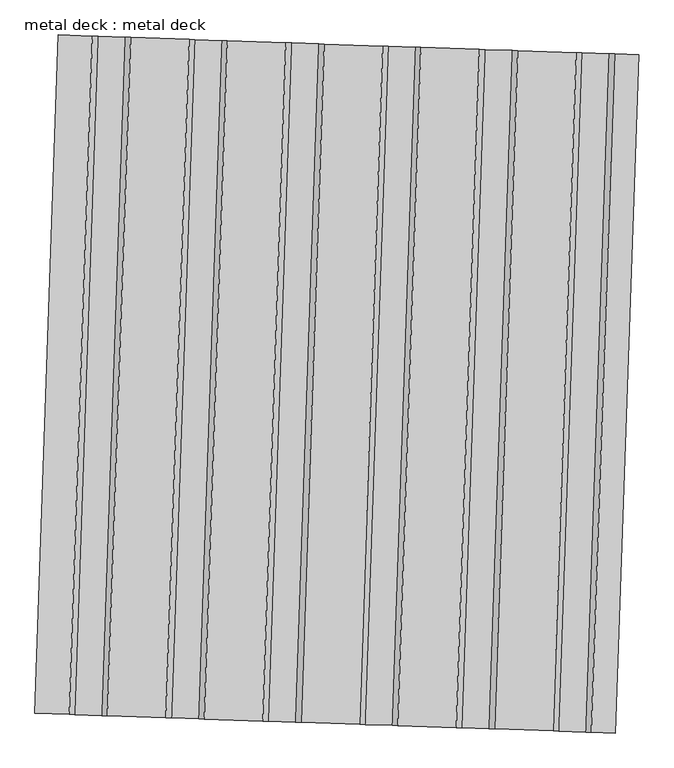
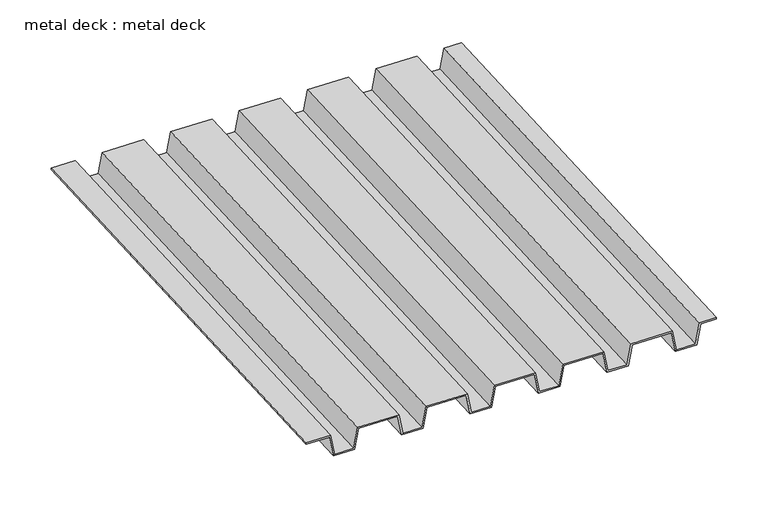
"""IFC4 building model written with IfcOpenShell, lengths in millimetres: proxy geometry, metal deck : metal deck."""

import ifcopenshell
import ifcopenshell.guid

model = None  # the IFC model being written
_history = None  # IfcOwnerHistory: only IFC2X3 demands one
_inside = {}  # id of a spatial element -> (the spatial element, [elements in it])
_under = {}  # id of a project, library or spatial element -> (it, [spatial elements below it])
_declared = {}  # id of a project -> (the project, [libraries it declares])
_typed = {}  # id of a type object -> (the type object, [elements of that type])
_made_of = {}  # id of a material, layer set ... -> (it, [elements and type objects made of it])


def new_model(schema):
    """Start an empty IFC model of exactly this schema.

    Asked for "IFC4X3", IfcOpenShell would pick the latest addendum, in which some entities
    have other attributes; the version numbers below select the first issue.
    IFC2X3 requires an IfcOwnerHistory on every rooted entity: one is made here for all.
    """
    global model, _history
    if schema == "IFC4X3":
        model = ifcopenshell.file(schema_version=(4, 3, 0, 0))
    else:
        model = ifcopenshell.file(schema=schema)
    _inside.clear()
    _under.clear()
    _declared.clear()
    _typed.clear()
    _made_of.clear()
    _history = None
    if model.schema == "IFC2X3":
        org = make("IfcOrganization", Name="unknown")
        user = make(
            "IfcPersonAndOrganization",
            ThePerson=make("IfcPerson", FamilyName="unknown"),
            TheOrganization=org,
        )
        app = make(
            "IfcApplication",
            ApplicationDeveloper=org,
            Version="unknown",
            ApplicationFullName="unknown",
            ApplicationIdentifier="unknown",
        )
        _history = make(
            "IfcOwnerHistory",
            OwningUser=user,
            OwningApplication=app,
            ChangeAction="ADDED",
            CreationDate=0,
        )
    return model


def make(cls, **values):
    """One entity of the class cls with the attributes given. An attribute that is None is left unset."""
    return model.create_entity(
        cls, **{name: value for name, value in values.items() if value is not None}
    )


def rooted(cls, **values):
    """An entity with a GlobalId (a new one), such as an element, a storey or a relation."""
    return make(cls, GlobalId=ifcopenshell.guid.new(), OwnerHistory=_history, **values)


def si_unit(unit_type, name, prefix=None):
    """IfcSIUnit, for example si_unit("LENGTHUNIT", "METRE", prefix="MILLI")."""
    return make("IfcSIUnit", UnitType=unit_type, Prefix=prefix, Name=name)


def assignment(units):
    """IfcUnitAssignment: the units of a project."""
    return None if units is None else make("IfcUnitAssignment", Units=units)


def point(xyz):
    """IfcCartesianPoint."""
    return None if xyz is None else make("IfcCartesianPoint", Coordinates=xyz)


def direction(xyz):
    """IfcDirection."""
    return None if xyz is None else make("IfcDirection", DirectionRatios=xyz)


def frame(location, z_axis=None, x_axis=None):
    """IfcAxis2Placement3D, a coordinate frame: its origin and axes. An axis left out is left unset."""
    return make(
        "IfcAxis2Placement3D",
        Location=point(location),
        Axis=direction(z_axis),
        RefDirection=direction(x_axis),
    )


def origin():
    """The frame at (0, 0, 0) with its axes left unset."""
    return frame((0.0, 0.0, 0.0))


def place(relative_to, where):
    """IfcLocalPlacement: puts the frame where relative to a parent placement (None: the world)."""
    return make(
        "IfcLocalPlacement", PlacementRelTo=relative_to, RelativePlacement=where
    )


def context(
    kind, dimensions, precision=None, world=None, true_north=None, identifier=None
):
    """IfcGeometricRepresentationContext, for example the 3D "Model" context."""
    return make(
        "IfcGeometricRepresentationContext",
        ContextIdentifier=identifier,
        ContextType=kind,
        CoordinateSpaceDimension=dimensions,
        Precision=precision,
        WorldCoordinateSystem=world,
        TrueNorth=true_north,
    )


def project(units=None, contexts=None):
    """IfcProject with its units and contexts."""
    return rooted(
        "IfcProject",
        Name="project",
        RepresentationContexts=contexts,
        UnitsInContext=assignment(units),
    )


def spatial(cls, under=None, at=None, **own):
    """A site, building, storey or space (cls), placed at a placement, below another one or the project."""
    s = rooted(cls, ObjectPlacement=at, **own)
    if under is not None:
        _under.setdefault(under.id(), (under, []))[1].append(s)
    return s


def polyline(points):
    """IfcPolyline through the points."""
    return make("IfcPolyline", Points=[point(p) for p in points])


def outline(outer, holes=None, kind="AREA"):
    """IfcArbitraryClosedProfileDef: a profile drawn as a closed curve; with holes, ...WithVoids."""
    if holes is None:
        return make("IfcArbitraryClosedProfileDef", ProfileType=kind, OuterCurve=outer)
    return make(
        "IfcArbitraryProfileDefWithVoids",
        ProfileType=kind,
        OuterCurve=outer,
        InnerCurves=holes,
    )


def extrude(swept, where, along, depth):
    """IfcExtrudedAreaSolid: the profile swept, set in the frame where, extruded along a direction by depth."""
    return make(
        "IfcExtrudedAreaSolid",
        SweptArea=swept,
        Position=where,
        ExtrudedDirection=direction(along),
        Depth=depth,
    )


def shape(context_of_items, identifier, shape_type, items):
    """IfcShapeRepresentation: the items that make up one representation, for example the "Body"."""
    return make(
        "IfcShapeRepresentation",
        ContextOfItems=context_of_items,
        RepresentationIdentifier=identifier,
        RepresentationType=shape_type,
        Items=items,
    )


def source(mapping_origin, context_of_items, identifier, shape_type, items):
    """IfcRepresentationMap: a shape defined once, which mapped items show again and again."""
    return make(
        "IfcRepresentationMap",
        MappingOrigin=mapping_origin,
        MappedRepresentation=shape(context_of_items, identifier, shape_type, items),
    )


def transform(
    local_origin,
    x_axis=None,
    y_axis=None,
    z_axis=None,
    scale=None,
    scale2=None,
    scale3=None,
    uniform=True,
):
    """IfcCartesianTransformationOperator3D, or its non-uniform kind. x_axis, y_axis, z_axis: its Axis1, 2, 3."""
    if uniform:
        return make(
            "IfcCartesianTransformationOperator3D",
            Axis1=direction(x_axis),
            Axis2=direction(y_axis),
            LocalOrigin=point(local_origin),
            Scale=scale,
            Axis3=direction(z_axis),
        )
    return make(
        "IfcCartesianTransformationOperator3DnonUniform",
        Axis1=direction(x_axis),
        Axis2=direction(y_axis),
        LocalOrigin=point(local_origin),
        Scale=scale,
        Axis3=direction(z_axis),
        Scale2=scale2,
        Scale3=scale3,
    )


def mapped(mapping_source, mapping_target):
    """IfcMappedItem: shows the shape of a source again, moved by a transform."""
    return make(
        "IfcMappedItem", MappingSource=mapping_source, MappingTarget=mapping_target
    )


def made_of(thing, what):
    """Note that an element or type object is made of a material, layer set ...; save() writes the relation."""
    if what is not None:
        _made_of.setdefault(what.id(), (what, []))[1].append(thing)
    return thing


def element(
    cls,
    number,
    at=None,
    inside=None,
    cuts=None,
    type_object=None,
    material=None,
    context=None,
    identifier="Body",
    shape_type=None,
    held_by="IfcProductDefinitionShape",
    body=None,
    shapes=None,
    **own,
):
    """One element of the class cls, such as IfcWall. Its Tag is "e" and its number.

    at: its placement. inside: the storey or other place that contains it. cuts: it is an
    opening in that element (IfcRelVoidsElement). A single representation is given by context,
    identifier, shape_type and body (its items); several are given by shapes. held_by: the class
    of the entity that holds the representations. save() writes the other relations.
    """
    e = rooted(cls, Tag="e%d" % number, ObjectPlacement=at, **own)
    if body is not None:
        shapes = [shape(context, identifier, shape_type, body)]
    if shapes is not None:
        e.Representation = make(held_by, Representations=shapes)
    if inside is not None:
        _inside.setdefault(inside.id(), (inside, []))[1].append(e)
    if cuts is not None:
        rooted(
            "IfcRelVoidsElement", RelatingBuildingElement=cuts, RelatedOpeningElement=e
        )
    if type_object is not None:
        _typed.setdefault(type_object.id(), (type_object, []))[1].append(e)
    return made_of(e, material)


def aggregate(whole, parts):
    """IfcRelAggregates: a whole, such as a stair, and the parts it consists of."""
    return rooted("IfcRelAggregates", RelatingObject=whole, RelatedObjects=parts)


def save(model, path):
    """Write the relations noted so far, then the file.

    IfcRelAggregates (storeys below a building ...), IfcRelContainedInSpatialStructure (elements
    in a storey), IfcRelDefinesByType, IfcRelAssociatesMaterial and IfcRelDeclares: one each for
    every whole, place, type object, material and project.
    """
    for whole, parts in _under.values():
        aggregate(whole, parts)
    for where, things in _inside.values():
        rooted(
            "IfcRelContainedInSpatialStructure",
            RelatedElements=things,
            RelatingStructure=where,
        )
    for kind, things in _typed.values():
        rooted("IfcRelDefinesByType", RelatedObjects=things, RelatingType=kind)
    for what, things in _made_of.values():
        rooted("IfcRelAssociatesMaterial", RelatedObjects=things, RelatingMaterial=what)
    for by, libraries in _declared.values():
        rooted("IfcRelDeclares", RelatingContext=by, RelatedDefinitions=libraries)
    model.write(path)


def metal_deck_metal_deck_90619985(model_context):
    return source(origin(), model_context, "Body", "SweptSolid", [
        extrude(outline(polyline([(0.0, 0.0), (8.7869379, -46.8636687), (-36.376711, -64.4171517), (-29.840921, -99.2746982), (-32.9615402, -99.8598143), (-39.9829334, -62.4123839), (5.1807155, -44.858901), (-2.635016, -3.1750001), (-51.0899429, -3.175), (-68.0685062, 87.3773374), (-22.9048573, 104.9308204), (-30.7205887, 146.6147213), (-79.1755156, 146.6147213), (-96.1540789, 237.1670587), (-50.99043, 254.7205416), (-58.8061614, 296.4044426), (-107.2610884, 296.4044425), (-124.2396516, 386.9567799), (-79.0760028, 404.5102629), (-86.8917342, 446.1941638), (-135.3466611, 446.1941639), (-152.3252244, 536.7465012), (-107.1615755, 554.2999842), (-114.9773069, 595.9838851), (-163.4322338, 595.9838851), (-180.4107971, 686.5362226), (-135.2471482, 704.0897055), (-143.0628797, 745.7736064), (-191.5178066, 745.7736064), (-201.4749767, 798.8785135), (-198.3543575, 799.4636296), (-188.8827906, 748.9486064), (-140.4278637, 748.9486064), (-131.6409258, 702.0849377), (-176.8045747, 684.5314547), (-160.7972179, 599.1588851), (-112.342291, 599.1588851), (-103.5553531, 552.2952164), (-148.719002, 534.7417335), (-132.7116451, 449.3691638), (-84.2567182, 449.3691639), (-75.4697803, 402.5054952), (-120.6334292, 384.9520122), (-104.6260724, 299.5794426), (-56.1711455, 299.5794426), (-47.3842076, 252.7157738), (-92.5478565, 235.1622908), (-76.5404997, 149.7897213), (-28.0855727, 149.7897212), (-19.2986348, 102.9260525), (-64.4622837, 85.3725696), (-48.4549269, -1e-07), (0.0, 0.0)])), frame((34226.3903625, -16524.0763651, 4592.000708), z_axis=(0.03420178184532334, 0.9994149479163322, 0.0), x_axis=(0.18418071666254507, -0.006302996272509948, -0.9828721869336114)), (0.0, 0.0, 1.0), 1068.3091581),
    ])


if __name__ == "__main__":
    model = new_model("IFC4")
    model_context = context("Model", 3, world=origin())
    ifc_project = project(units=[si_unit("LENGTHUNIT", "METRE", prefix="MILLI")], contexts=[model_context])
    site = spatial("IfcSite", under=ifc_project)
    building = spatial("IfcBuilding", under=site)
    placement = place(None, origin())
    metal_deck_metal_deck_shape = metal_deck_metal_deck_90619985(model_context)
    element("IfcBuildingElementProxy", 1, Name="metal deck : metal deck", ObjectType="metal deck : metal deck", at=placement, inside=building, context=model_context, shape_type="MappedRepresentation", body=[
        mapped(metal_deck_metal_deck_shape, transform((0.0, 0.0, 0.0), x_axis=(1.0, 0.0, 0.0), y_axis=(0.0, 1.0, 0.0), z_axis=(0.0, 0.0, 1.0))),
    ])
    save(model, "model.ifc")
